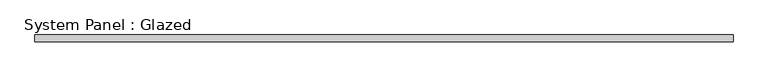
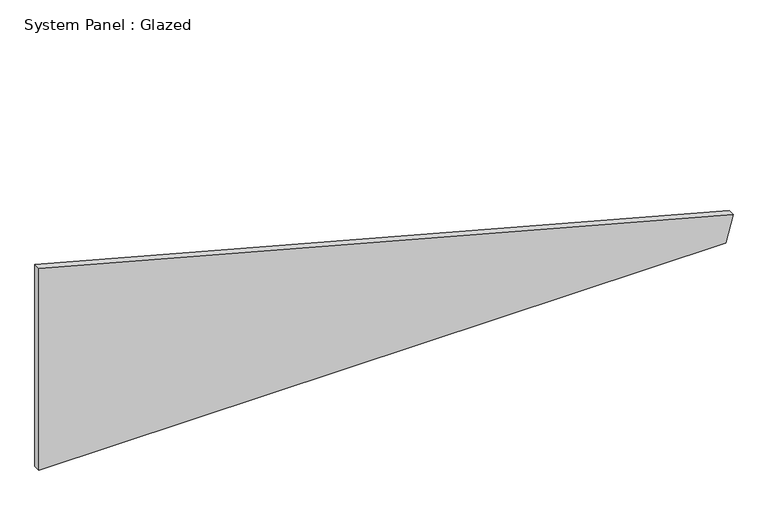
"""IFC4 building model written with IfcOpenShell, lengths in millimetres: plate geometry, System Panel : Glazed."""

from ifc_helpers import new_model, si_unit, frame, origin, place, context, project, spatial, polyline, outline, extrude, source, transform, mapped, element, save


def system_panel_glazed_f6c6ff47(model_context):
    return source(origin(), model_context, "Body", "SweptSolid", [
        extrude(outline(polyline([(0.0, -1309.4068911), (0.0, 1281.7048683), (103.3853563, 1309.4068911), (805.0943944, -1309.4068911), (0.0, -1309.4068911)])), frame((0.0, -2.5, 0.0), z_axis=(0.0, 1.0, 0.0), x_axis=(0.0, 0.0, 1.0)), (0.0, 0.0, 1.0), 25.0),
    ])


if __name__ == "__main__":
    model = new_model("IFC4")
    model_context = context("Model", 3, world=origin())
    ifc_project = project(units=[si_unit("LENGTHUNIT", "METRE", prefix="MILLI")], contexts=[model_context])
    site = spatial("IfcSite", under=ifc_project)
    building = spatial("IfcBuilding", under=site)
    placement = place(None, origin())
    system_panel_glazed_shape = system_panel_glazed_f6c6ff47(model_context)
    element("IfcPlate", 1, ObjectType="System Panel : Glazed", at=placement, inside=building, context=model_context, shape_type="MappedRepresentation", body=[
        mapped(system_panel_glazed_shape, transform((0.0, 0.0, 0.0), x_axis=(1.0, 0.0, 0.0), y_axis=(0.0, 1.0, 0.0), z_axis=(0.0, 0.0, 1.0))),
    ])
    save(model, "model.ifc")
